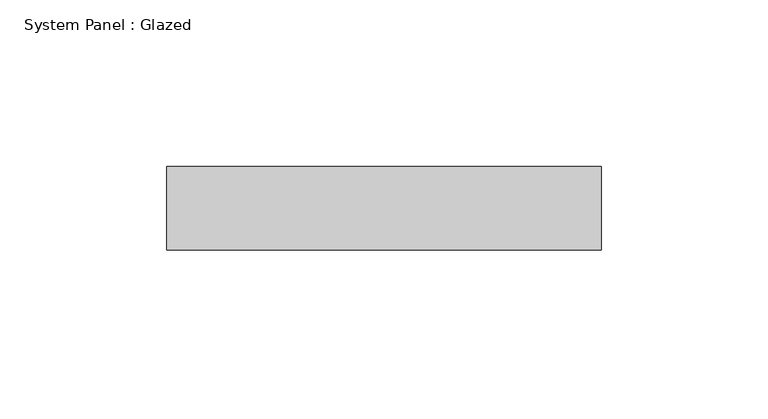
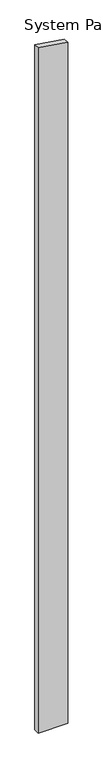
"""IFC4 building model written with IfcOpenShell, lengths in millimetres: plate geometry, System Panel : Glazed."""

import ifcopenshell
import ifcopenshell.guid

model = None  # the IFC model being written
_history = None  # IfcOwnerHistory: only IFC2X3 demands one
_inside = {}  # id of a spatial element -> (the spatial element, [elements in it])
_under = {}  # id of a project, library or spatial element -> (it, [spatial elements below it])
_declared = {}  # id of a project -> (the project, [libraries it declares])
_typed = {}  # id of a type object -> (the type object, [elements of that type])
_made_of = {}  # id of a material, layer set ... -> (it, [elements and type objects made of it])


def new_model(schema):
    """Start an empty IFC model of exactly this schema.

    Asked for "IFC4X3", IfcOpenShell would pick the latest addendum, in which some entities
    have other attributes; the version numbers below select the first issue.
    IFC2X3 requires an IfcOwnerHistory on every rooted entity: one is made here for all.
    """
    global model, _history
    if schema == "IFC4X3":
        model = ifcopenshell.file(schema_version=(4, 3, 0, 0))
    else:
        model = ifcopenshell.file(schema=schema)
    _inside.clear()
    _under.clear()
    _declared.clear()
    _typed.clear()
    _made_of.clear()
    _history = None
    if model.schema == "IFC2X3":
        org = make("IfcOrganization", Name="unknown")
        user = make(
            "IfcPersonAndOrganization",
            ThePerson=make("IfcPerson", FamilyName="unknown"),
            TheOrganization=org,
        )
        app = make(
            "IfcApplication",
            ApplicationDeveloper=org,
            Version="unknown",
            ApplicationFullName="unknown",
            ApplicationIdentifier="unknown",
        )
        _history = make(
            "IfcOwnerHistory",
            OwningUser=user,
            OwningApplication=app,
            ChangeAction="ADDED",
            CreationDate=0,
        )
    return model


def make(cls, **values):
    """One entity of the class cls with the attributes given. An attribute that is None is left unset."""
    return model.create_entity(
        cls, **{name: value for name, value in values.items() if value is not None}
    )


def rooted(cls, **values):
    """An entity with a GlobalId (a new one), such as an element, a storey or a relation."""
    return make(cls, GlobalId=ifcopenshell.guid.new(), OwnerHistory=_history, **values)


def si_unit(unit_type, name, prefix=None):
    """IfcSIUnit, for example si_unit("LENGTHUNIT", "METRE", prefix="MILLI")."""
    return make("IfcSIUnit", UnitType=unit_type, Prefix=prefix, Name=name)


def assignment(units):
    """IfcUnitAssignment: the units of a project."""
    return None if units is None else make("IfcUnitAssignment", Units=units)


def point(xyz):
    """IfcCartesianPoint."""
    return None if xyz is None else make("IfcCartesianPoint", Coordinates=xyz)


def direction(xyz):
    """IfcDirection."""
    return None if xyz is None else make("IfcDirection", DirectionRatios=xyz)


def frame(location, z_axis=None, x_axis=None):
    """IfcAxis2Placement3D, a coordinate frame: its origin and axes. An axis left out is left unset."""
    return make(
        "IfcAxis2Placement3D",
        Location=point(location),
        Axis=direction(z_axis),
        RefDirection=direction(x_axis),
    )


def origin():
    """The frame at (0, 0, 0) with its axes left unset."""
    return frame((0.0, 0.0, 0.0))


def place(relative_to, where):
    """IfcLocalPlacement: puts the frame where relative to a parent placement (None: the world)."""
    return make(
        "IfcLocalPlacement", PlacementRelTo=relative_to, RelativePlacement=where
    )


def context(
    kind, dimensions, precision=None, world=None, true_north=None, identifier=None
):
    """IfcGeometricRepresentationContext, for example the 3D "Model" context."""
    return make(
        "IfcGeometricRepresentationContext",
        ContextIdentifier=identifier,
        ContextType=kind,
        CoordinateSpaceDimension=dimensions,
        Precision=precision,
        WorldCoordinateSystem=world,
        TrueNorth=true_north,
    )


def project(units=None, contexts=None):
    """IfcProject with its units and contexts."""
    return rooted(
        "IfcProject",
        Name="project",
        RepresentationContexts=contexts,
        UnitsInContext=assignment(units),
    )


def spatial(cls, under=None, at=None, **own):
    """A site, building, storey or space (cls), placed at a placement, below another one or the project."""
    s = rooted(cls, ObjectPlacement=at, **own)
    if under is not None:
        _under.setdefault(under.id(), (under, []))[1].append(s)
    return s


def polyline(points):
    """IfcPolyline through the points."""
    return make("IfcPolyline", Points=[point(p) for p in points])


def outline(outer, holes=None, kind="AREA"):
    """IfcArbitraryClosedProfileDef: a profile drawn as a closed curve; with holes, ...WithVoids."""
    if holes is None:
        return make("IfcArbitraryClosedProfileDef", ProfileType=kind, OuterCurve=outer)
    return make(
        "IfcArbitraryProfileDefWithVoids",
        ProfileType=kind,
        OuterCurve=outer,
        InnerCurves=holes,
    )


def extrude(swept, where, along, depth):
    """IfcExtrudedAreaSolid: the profile swept, set in the frame where, extruded along a direction by depth."""
    return make(
        "IfcExtrudedAreaSolid",
        SweptArea=swept,
        Position=where,
        ExtrudedDirection=direction(along),
        Depth=depth,
    )


def shape(context_of_items, identifier, shape_type, items):
    """IfcShapeRepresentation: the items that make up one representation, for example the "Body"."""
    return make(
        "IfcShapeRepresentation",
        ContextOfItems=context_of_items,
        RepresentationIdentifier=identifier,
        RepresentationType=shape_type,
        Items=items,
    )


def source(mapping_origin, context_of_items, identifier, shape_type, items):
    """IfcRepresentationMap: a shape defined once, which mapped items show again and again."""
    return make(
        "IfcRepresentationMap",
        MappingOrigin=mapping_origin,
        MappedRepresentation=shape(context_of_items, identifier, shape_type, items),
    )


def transform(
    local_origin,
    x_axis=None,
    y_axis=None,
    z_axis=None,
    scale=None,
    scale2=None,
    scale3=None,
    uniform=True,
):
    """IfcCartesianTransformationOperator3D, or its non-uniform kind. x_axis, y_axis, z_axis: its Axis1, 2, 3."""
    if uniform:
        return make(
            "IfcCartesianTransformationOperator3D",
            Axis1=direction(x_axis),
            Axis2=direction(y_axis),
            LocalOrigin=point(local_origin),
            Scale=scale,
            Axis3=direction(z_axis),
        )
    return make(
        "IfcCartesianTransformationOperator3DnonUniform",
        Axis1=direction(x_axis),
        Axis2=direction(y_axis),
        LocalOrigin=point(local_origin),
        Scale=scale,
        Axis3=direction(z_axis),
        Scale2=scale2,
        Scale3=scale3,
    )


def mapped(mapping_source, mapping_target):
    """IfcMappedItem: shows the shape of a source again, moved by a transform."""
    return make(
        "IfcMappedItem", MappingSource=mapping_source, MappingTarget=mapping_target
    )


def made_of(thing, what):
    """Note that an element or type object is made of a material, layer set ...; save() writes the relation."""
    if what is not None:
        _made_of.setdefault(what.id(), (what, []))[1].append(thing)
    return thing


def element(
    cls,
    number,
    at=None,
    inside=None,
    cuts=None,
    type_object=None,
    material=None,
    context=None,
    identifier="Body",
    shape_type=None,
    held_by="IfcProductDefinitionShape",
    body=None,
    shapes=None,
    **own,
):
    """One element of the class cls, such as IfcWall. Its Tag is "e" and its number.

    at: its placement. inside: the storey or other place that contains it. cuts: it is an
    opening in that element (IfcRelVoidsElement). A single representation is given by context,
    identifier, shape_type and body (its items); several are given by shapes. held_by: the class
    of the entity that holds the representations. save() writes the other relations.
    """
    e = rooted(cls, Tag="e%d" % number, ObjectPlacement=at, **own)
    if body is not None:
        shapes = [shape(context, identifier, shape_type, body)]
    if shapes is not None:
        e.Representation = make(held_by, Representations=shapes)
    if inside is not None:
        _inside.setdefault(inside.id(), (inside, []))[1].append(e)
    if cuts is not None:
        rooted(
            "IfcRelVoidsElement", RelatingBuildingElement=cuts, RelatedOpeningElement=e
        )
    if type_object is not None:
        _typed.setdefault(type_object.id(), (type_object, []))[1].append(e)
    return made_of(e, material)


def aggregate(whole, parts):
    """IfcRelAggregates: a whole, such as a stair, and the parts it consists of."""
    return rooted("IfcRelAggregates", RelatingObject=whole, RelatedObjects=parts)


def save(model, path):
    """Write the relations noted so far, then the file.

    IfcRelAggregates (storeys below a building ...), IfcRelContainedInSpatialStructure (elements
    in a storey), IfcRelDefinesByType, IfcRelAssociatesMaterial and IfcRelDeclares: one each for
    every whole, place, type object, material and project.
    """
    for whole, parts in _under.values():
        aggregate(whole, parts)
    for where, things in _inside.values():
        rooted(
            "IfcRelContainedInSpatialStructure",
            RelatedElements=things,
            RelatingStructure=where,
        )
    for kind, things in _typed.values():
        rooted("IfcRelDefinesByType", RelatedObjects=things, RelatingType=kind)
    for what, things in _made_of.values():
        rooted("IfcRelAssociatesMaterial", RelatedObjects=things, RelatingMaterial=what)
    for by, libraries in _declared.values():
        rooted("IfcRelDeclares", RelatingContext=by, RelatedDefinitions=libraries)
    model.write(path)


def system_panel_glazed_eaa5b744(model_context):
    return source(origin(), model_context, "Body", "SweptSolid", [
        extrude(outline(polyline([(0.0, -65.0), (0.0, 65.0), (3178.6587953, 65.0), (3197.9070147, -65.0), (0.0, -65.0)])), frame((0.0, 24.5, 0.0), z_axis=(0.0, 1.0, 0.0), x_axis=(0.0, 0.0, 1.0)), (0.0, 0.0, 1.0), 25.0),
    ])


if __name__ == "__main__":
    model = new_model("IFC4")
    model_context = context("Model", 3, world=origin())
    ifc_project = project(units=[si_unit("LENGTHUNIT", "METRE", prefix="MILLI")], contexts=[model_context])
    site = spatial("IfcSite", under=ifc_project)
    building = spatial("IfcBuilding", under=site)
    placement = place(None, origin())
    system_panel_glazed_shape = system_panel_glazed_eaa5b744(model_context)
    element("IfcPlate", 1, ObjectType="System Panel : Glazed", at=placement, inside=building, context=model_context, shape_type="MappedRepresentation", body=[
        mapped(system_panel_glazed_shape, transform((0.0, 0.0, 0.0), x_axis=(1.0, 0.0, 0.0), y_axis=(0.0, 1.0, 0.0), z_axis=(0.0, 0.0, 1.0))),
    ])
    save(model, "model.ifc")
